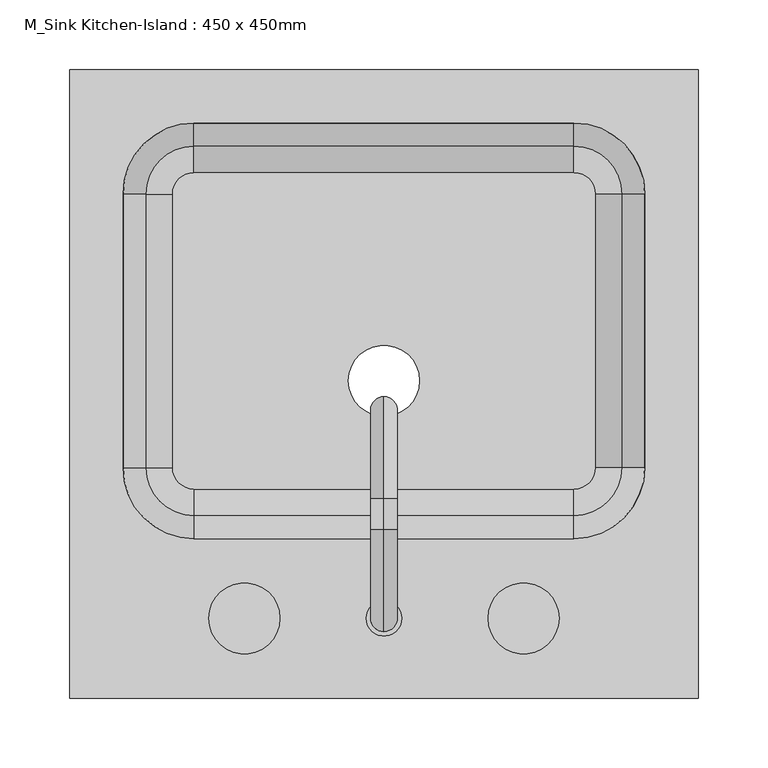
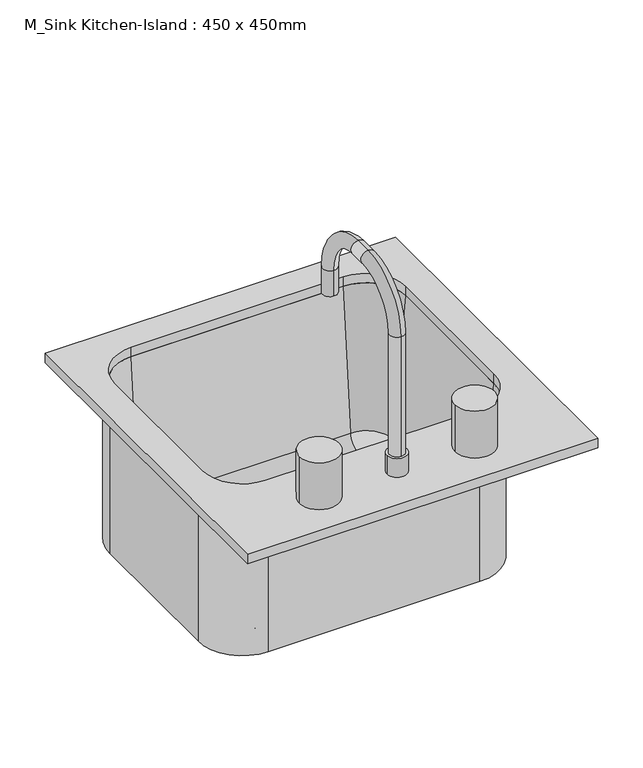
"""IFC4 building model written with IfcOpenShell, lengths in millimetres: flow terminal geometry, M_Sink Kitchen-Island : 450 x 450mm."""

from ifc_helpers import new_model, si_unit, point, frame, frame_2d, origin, place, context, project, spatial, polyline, circle_curve, ellipse_curve, trimmed, segment, composite_curve, outline, extrude, source, transform, mapped, element, save
from ifc_brep_helpers import plane_surface, cylinder_surface, revolved_surface, advanced_brep


def m_sink_kitchen_island_450_x_450mm_f6c2c534(model_context):
    return source(origin(), model_context, "Body", "SolidModel", [
        advanced_brep(
        [(208.9392406, -62.2454011, 684.1), (208.9392406, -62.2454011, 900.0), (151.7892406, -119.3954011, 900.0), (151.7892406, -119.3954011, 684.1), (-120.4107594, -119.3954011, 684.1), (-177.5607594, -62.2454011, 684.1), (-177.5607594, 133.7545989, 684.1), (-120.4107594, 190.9045989, 684.1), (151.7892406, 190.9045989, 684.1), (208.9392406, 133.7545989, 684.1), (-9.7107594, 0.0, 684.1), (41.0892406, 0.0, 684.1), (167.0776588, -62.2454011, 693.625), (167.0776588, 133.7545989, 693.625), (151.7892406, 149.0430171, 693.625), (-120.4107594, 149.0430171, 693.625), (-135.6991776, 133.7545989, 693.625), (-135.6991776, -62.2454011, 693.625), (-120.4107594, -77.5338193, 693.625), (151.7892406, -77.5338193, 693.625), (-9.7107594, 0.0, 693.625), (41.0892406, 0.0, 693.625), (151.7892406, -96.5113283, 711.0146831), (186.0551678, -62.2454011, 711.0146831), (151.7892406, -113.0454011, 900.0), (202.5892406, -62.2454011, 900.0), (208.9392406, 133.7545989, 900.0), (186.0551678, 133.7545989, 711.0146831), (202.5892406, 133.7545989, 900.0), (151.7892406, 190.9045989, 900.0), (151.7892406, 168.0205261, 711.0146831), (151.7892406, 184.5545989, 900.0), (-120.4107594, 190.9045989, 900.0), (-120.4107594, 168.0205261, 711.0146831), (-120.4107594, 184.5545989, 900.0), (-177.5607594, 133.7545989, 900.0), (-154.6766866, 133.7545989, 711.0146831), (-171.2107594, 133.7545989, 900.0), (-177.5607594, -62.2454011, 900.0), (-154.6766866, -62.2454011, 711.0146831), (-171.2107594, -62.2454011, 900.0), (-120.4107594, -119.3954011, 900.0), (-120.4107594, -96.5113283, 711.0146831), (-120.4107594, -113.0454011, 900.0)],
        [
            (0, 1),
            (1, 2, circle_curve(frame((151.7892406, -62.2454011, 900.0), z_axis=(0.0, 0.0, -1.0), x_axis=(0.0, -1.0, 0.0)), 57.15)),
            (2, 3),
            (3, 0, circle_curve(frame((151.7892406, -62.2454011, 684.1), z_axis=(0.0, 0.0, 1.0), x_axis=(0.0, -1.0, 0.0)), 57.15)),
            (3, 4),
            (4, 5, circle_curve(frame((-120.4107594, -62.2454011, 684.1), z_axis=(0.0, 0.0, -1.0), x_axis=(-1.0, 0.0, 0.0)), 57.15)),
            (5, 6),
            (6, 7, circle_curve(frame((-120.4107594, 133.7545989, 684.1), z_axis=(0.0, 0.0, -1.0), x_axis=(0.0, 1.0, 0.0)), 57.15)),
            (7, 8),
            (8, 9, circle_curve(frame((151.7892406, 133.7545989, 684.1), z_axis=(0.0, 0.0, -1.0), x_axis=(1.0, 0.0, 0.0)), 57.15)),
            (9, 0),
            (10, 11, circle_curve(frame((15.6892406, 0.0, 684.1), z_axis=(0.0, 0.0, 1.0), x_axis=(1.0, 0.0, 0.0)), 25.4)),
            (11, 10, circle_curve(frame((15.6892406, 0.0, 684.1), z_axis=(0.0, 0.0, 1.0), x_axis=(1.0, 0.0, 0.0)), 25.4)),
            (12, 13),
            (13, 14, circle_curve(frame((151.7892406, 133.7545989, 693.625), z_axis=(0.0, 0.0, 1.0), x_axis=(1.0, 0.0, 0.0)), 15.2884182)),
            (14, 15),
            (15, 16, circle_curve(frame((-120.4107594, 133.7545989, 693.625), z_axis=(0.0, 0.0, 1.0), x_axis=(0.0, 1.0, 0.0)), 15.2884182)),
            (16, 17),
            (17, 18, circle_curve(frame((-120.4107594, -62.2454011, 693.625), z_axis=(0.0, 0.0, 1.0), x_axis=(-1.0, 0.0, 0.0)), 15.2884182)),
            (18, 19),
            (19, 12, circle_curve(frame((151.7892406, -62.2454011, 693.625), z_axis=(0.0, 0.0, 1.0), x_axis=(0.0, -1.0, 0.0)), 15.2884182)),
            (20, 21, circle_curve(frame((15.6892406, 0.0, 693.625), z_axis=(0.0, 0.0, -1.0), x_axis=(1.0, 0.0, 0.0)), 25.4)),
            (21, 20, circle_curve(frame((15.6892406, 0.0, 693.625), z_axis=(0.0, 0.0, -1.0), x_axis=(1.0, 0.0, 0.0)), 25.4)),
            (19, 22, circle_curve(frame((151.7892406, -77.5338193, 712.675), z_axis=(-1.0, 0.0, 0.0), x_axis=(0.0, -1.0, 0.0)), 19.05)),
            (22, 23, circle_curve(frame((151.7892406, -62.2454011, 711.0146831), z_axis=(0.0, 0.0, 1.0), x_axis=(0.0, -1.0, 0.0)), 34.2659272)),
            (23, 12, circle_curve(frame((167.0776588, -62.2454011, 712.675), z_axis=(0.0, 1.0, 0.0), x_axis=(1.0, 0.0, 0.0)), 19.05)),
            (22, 24),
            (24, 25, circle_curve(frame((151.7892406, -62.2454011, 900.0), z_axis=(0.0, 0.0, 1.0), x_axis=(0.0, -1.0, 0.0)), 50.8)),
            (25, 23),
            (1, 25),
            (24, 2),
            (9, 26),
            (26, 1),
            (23, 27),
            (27, 13, circle_curve(frame((167.0776588, 133.7545989, 712.675), z_axis=(0.0, 1.0, 0.0), x_axis=(1.0, 0.0, 0.0)), 19.05)),
            (25, 28),
            (28, 27),
            (26, 28),
            (8, 29),
            (29, 26, circle_curve(frame((151.7892406, 133.7545989, 900.0), z_axis=(0.0, 0.0, -1.0), x_axis=(1.0, 0.0, 0.0)), 57.15)),
            (27, 30, circle_curve(frame((151.7892406, 133.7545989, 711.0146831), z_axis=(0.0, 0.0, 1.0), x_axis=(1.0, 0.0, 0.0)), 34.2659272)),
            (30, 14, circle_curve(frame((151.7892406, 149.0430171, 712.675), z_axis=(-1.0, 0.0, 0.0), x_axis=(0.0, 1.0, 0.0)), 19.05)),
            (28, 31, circle_curve(frame((151.7892406, 133.7545989, 900.0), z_axis=(0.0, 0.0, 1.0), x_axis=(1.0, 0.0, 0.0)), 50.8)),
            (31, 30),
            (29, 31),
            (7, 32),
            (32, 29),
            (30, 33),
            (33, 15, circle_curve(frame((-120.4107594, 149.0430171, 712.675), z_axis=(-1.0, 0.0, 0.0), x_axis=(0.0, 1.0, 0.0)), 19.05)),
            (31, 34),
            (34, 33),
            (32, 34),
            (6, 35),
            (35, 32, circle_curve(frame((-120.4107594, 133.7545989, 900.0), z_axis=(0.0, 0.0, -1.0), x_axis=(0.0, 1.0, 0.0)), 57.15)),
            (33, 36, circle_curve(frame((-120.4107594, 133.7545989, 711.0146831), z_axis=(0.0, 0.0, 1.0), x_axis=(0.0, 1.0, 0.0)), 34.2659272)),
            (36, 16, circle_curve(frame((-135.6991776, 133.7545989, 712.675), z_axis=(0.0, -1.0, 0.0), x_axis=(-1.0, 0.0, 0.0)), 19.05)),
            (34, 37, circle_curve(frame((-120.4107594, 133.7545989, 900.0), z_axis=(0.0, 0.0, 1.0), x_axis=(0.0, 1.0, 0.0)), 50.8)),
            (37, 36),
            (35, 37),
            (5, 38),
            (38, 35),
            (36, 39),
            (39, 17, circle_curve(frame((-135.6991776, -62.2454011, 712.675), z_axis=(0.0, -1.0, 0.0), x_axis=(-1.0, 0.0, 0.0)), 19.05)),
            (37, 40),
            (40, 39),
            (38, 40),
            (4, 41),
            (41, 38, circle_curve(frame((-120.4107594, -62.2454011, 900.0), z_axis=(0.0, 0.0, -1.0), x_axis=(-1.0, 0.0, 0.0)), 57.15)),
            (39, 42, circle_curve(frame((-120.4107594, -62.2454011, 711.0146831), z_axis=(0.0, 0.0, 1.0), x_axis=(-1.0, 0.0, 0.0)), 34.2659272)),
            (42, 18, circle_curve(frame((-120.4107594, -77.5338193, 712.675), z_axis=(1.0, 0.0, 0.0), x_axis=(0.0, -1.0, 0.0)), 19.05)),
            (40, 43, circle_curve(frame((-120.4107594, -62.2454011, 900.0), z_axis=(0.0, 0.0, 1.0), x_axis=(-1.0, 0.0, 0.0)), 50.8)),
            (43, 42),
            (41, 43),
            (2, 41),
            (42, 22),
            (43, 24),
            (21, 11),
            (10, 20),
        ],
        [
            cylinder_surface(frame((151.7892406, -62.2454011, 0.0), z_axis=(0.0, 0.0, -1.0), x_axis=(0.0, -1.0, 0.0)), 57.15),
            plane_surface(frame((151.7892406, -62.2454011, 684.1), z_axis=(0.0, 0.0, -1.0), x_axis=(0.0, -1.0, 0.0))),
            plane_surface(frame((151.7892406, -62.2454011, 693.625), z_axis=(0.0, 0.0, 1.0), x_axis=(0.0, -1.0, 0.0))),
            revolved_surface(trimmed(ellipse_curve(frame((151.7892406, -77.5338193, 712.675), z_axis=(-1.0, 0.0, 0.0), x_axis=(0.0, -1.0, 0.0)), 19.05, 19.05), [point((151.7892406, -77.5338193, 693.625))], [point((151.7892406, -96.5113283, 711.0146831))], True, "CARTESIAN"), (151.7892406, -62.2454011, 0.0), (0.0, 0.0, -1.0)),
            revolved_surface(polyline([(151.7892406, -96.5113283, 711.0146831), (151.7892406, -113.0454011, 900.0)]), (151.7892406, -62.2454011, 0.0), (0.0, 0.0, -1.0)),
            plane_surface(frame((151.7892406, -62.2454011, 900.0), z_axis=(0.0, 0.0, 1.0), x_axis=(0.0, -1.0, 0.0))),
            plane_surface(frame((208.9392406, -62.2454011, 900.0), z_axis=(1.0, 0.0, 0.0), x_axis=(0.0, 1.0, 0.0))),
            revolved_surface(polyline([(186.1276588, 133.7545989, 712.675), (186.1276588, -62.2454011, 712.675)]), (167.0776588, -62.2454011, 712.675), (0.0, 1.0, 0.0)),
            plane_surface(frame((186.0551678, -62.2454011, 711.0146831), z_axis=(-0.9961946980917444, 0.0, 0.0871557427476718), x_axis=(0.0, 1.0, 0.0))),
            plane_surface(frame((202.5892406, -62.2454011, 900.0), z_axis=(0.0, 0.0, 1.0), x_axis=(0.0, 1.0, 0.0))),
            cylinder_surface(frame((151.7892406, 133.7545989, 0.0), z_axis=(0.0, 0.0, -1.0), x_axis=(1.0, 0.0, 0.0)), 57.15),
            revolved_surface(trimmed(ellipse_curve(frame((167.0776588, 133.7545989, 712.675), z_axis=(0.0, -1.0, 0.0), x_axis=(1.0, 0.0, 0.0)), 19.05, 19.05), [point((167.0776588, 133.7545989, 693.625))], [point((186.0551678, 133.7545989, 711.0146831))], True, "CARTESIAN"), (151.7892406, 133.7545989, 0.0), (0.0, 0.0, -1.0)),
            revolved_surface(polyline([(186.0551678, 133.7545989, 711.0146831), (202.5892406, 133.7545989, 900.0)]), (151.7892406, 133.7545989, 0.0), (0.0, 0.0, -1.0)),
            plane_surface(frame((151.7892406, 133.7545989, 900.0), z_axis=(0.0, 0.0, 1.0), x_axis=(1.0, 0.0, 0.0))),
            plane_surface(frame((151.7892406, 190.9045989, 900.0), z_axis=(0.0, 1.0, 0.0), x_axis=(-1.0, 0.0, 0.0))),
            revolved_surface(polyline([(-120.41075939999999, 168.0930171, 712.675), (151.7892406, 168.0930171, 712.675)]), (151.7892406, 149.0430171, 712.675), (-1.0, 0.0, 0.0)),
            plane_surface(frame((151.7892406, 168.0205261, 711.0146831), z_axis=(0.0, -0.9961946980917444, 0.0871557427476718), x_axis=(-1.0, 0.0, 0.0))),
            plane_surface(frame((151.7892406, 184.5545989, 900.0), z_axis=(0.0, 0.0, 1.0), x_axis=(-1.0, 0.0, 0.0))),
            cylinder_surface(frame((-120.4107594, 133.7545989, 0.0), z_axis=(0.0, 0.0, -1.0), x_axis=(0.0, 1.0, 0.0)), 57.15),
            revolved_surface(trimmed(ellipse_curve(frame((-120.4107594, 149.0430171, 712.675), z_axis=(1.0, 0.0, 0.0), x_axis=(0.0, 1.0, 0.0)), 19.05, 19.05), [point((-120.4107594, 149.0430171, 693.625))], [point((-120.4107594, 168.0205261, 711.0146831))], True, "CARTESIAN"), (-120.4107594, 133.7545989, 0.0), (0.0, 0.0, -1.0)),
            revolved_surface(polyline([(-120.4107594, 168.0205261, 711.0146831), (-120.4107594, 184.5545989, 900.0)]), (-120.4107594, 133.7545989, 0.0), (0.0, 0.0, -1.0)),
            plane_surface(frame((-120.4107594, 133.7545989, 900.0), z_axis=(0.0, 0.0, 1.0), x_axis=(0.0, 1.0, 0.0))),
            plane_surface(frame((-177.5607594, 133.7545989, 900.0), z_axis=(-1.0, 0.0, 0.0), x_axis=(0.0, -1.0, 0.0))),
            revolved_surface(polyline([(-154.74917760000002, -62.24540110000001, 712.675), (-154.74917760000002, 133.7545989, 712.675)]), (-135.6991776, 133.7545989, 712.675), (0.0, -1.0, 0.0)),
            plane_surface(frame((-154.6766866, 133.7545989, 711.0146831), z_axis=(0.9961946980917444, 0.0, 0.0871557427476718), x_axis=(0.0, -1.0, 0.0))),
            plane_surface(frame((-171.2107594, 133.7545989, 900.0), z_axis=(0.0, 0.0, 1.0), x_axis=(0.0, -1.0, 0.0))),
            cylinder_surface(frame((-120.4107594, -62.2454011, 0.0), z_axis=(0.0, 0.0, -1.0), x_axis=(-1.0, 0.0, 0.0)), 57.15),
            revolved_surface(trimmed(ellipse_curve(frame((-135.6991776, -62.2454011, 712.675), z_axis=(0.0, 1.0, 0.0), x_axis=(-1.0, 0.0, 0.0)), 19.05, 19.05), [point((-135.6991776, -62.2454011, 693.625))], [point((-154.6766866, -62.2454011, 711.0146831))], True, "CARTESIAN"), (-120.4107594, -62.2454011, 0.0), (0.0, 0.0, -1.0)),
            revolved_surface(polyline([(-154.6766866, -62.2454011, 711.0146831), (-171.2107594, -62.2454011, 900.0)]), (-120.4107594, -62.2454011, 0.0), (0.0, 0.0, -1.0)),
            plane_surface(frame((-120.4107594, -62.2454011, 900.0), z_axis=(0.0, 0.0, 1.0), x_axis=(-1.0, 0.0, 0.0))),
            plane_surface(frame((-120.4107594, -119.3954011, 900.0), z_axis=(0.0, -1.0, 0.0), x_axis=(1.0, 0.0, 0.0))),
            revolved_surface(polyline([(151.78924059999997, -96.5838193, 712.675), (-120.4107594, -96.5838193, 712.675)]), (-120.4107594, -77.5338193, 712.675), (1.0, 0.0, 0.0)),
            plane_surface(frame((-120.4107594, -96.5113283, 711.0146831), z_axis=(0.0, 0.9961946980917444, 0.0871557427476718), x_axis=(1.0, 0.0, 0.0))),
            plane_surface(frame((-120.4107594, -113.0454011, 900.0), z_axis=(0.0, 0.0, 1.0), x_axis=(1.0, 0.0, 0.0))),
            revolved_surface(polyline([(41.0892406, 0.0, 684.1), (41.0892406, 0.0, 693.625)]), (15.6892406, 0.0, 0.0), (0.0, 0.0, -1.0)),
        ],
        [
            (0, [[1, 2, 3, 4]]),
            (1, [[5, 6, 7, 8, 9, 10, 11, -4], [12, 13]]),
            (2, [[14, 15, 16, 17, 18, 19, 20, 21], [22, 23]]),
            (3, [[24, 25, 26, -21]]),
            (4, [[27, 28, 29, -25]]),
            (5, [[30, -28, 31, -2]]),
            (6, [[-11, 32, 33, -1]]),
            (7, [[34, 35, -14, -26]]),
            (8, [[36, 37, -34, -29]]),
            (9, [[-33, 38, -36, -30]]),
            (10, [[-10, 39, 40, -32]]),
            (11, [[41, 42, -15, -35]]),
            (12, [[43, 44, -41, -37]]),
            (13, [[-40, 45, -43, -38]]),
            (14, [[-9, 46, 47, -39]]),
            (15, [[48, 49, -16, -42]]),
            (16, [[50, 51, -48, -44]]),
            (17, [[-47, 52, -50, -45]]),
            (18, [[-8, 53, 54, -46]]),
            (19, [[55, 56, -17, -49]]),
            (20, [[57, 58, -55, -51]]),
            (21, [[-54, 59, -57, -52]]),
            (22, [[-7, 60, 61, -53]]),
            (23, [[62, 63, -18, -56]]),
            (24, [[64, 65, -62, -58]]),
            (25, [[-61, 66, -64, -59]]),
            (26, [[-6, 67, 68, -60]]),
            (27, [[69, 70, -19, -63]]),
            (28, [[71, 72, -69, -65]]),
            (29, [[-68, 73, -71, -66]]),
            (30, [[74, -67, -5, -3]]),
            (31, [[-20, -70, 75, -24]]),
            (32, [[-75, -72, 76, -27]]),
            (33, [[-76, -73, -74, -31]]),
            (34, [[77, -12, 78, -23]]),
            (34, [[-78, -13, -77, -22]]),
        ],
    ),
        advanced_brep(
        [(2.9892406, -170.1954011, 912.7), (28.3892406, -170.1954011, 912.7), (15.6892406, -179.7204011, 1100.025), (15.6892406, -179.7204011, 938.1), (15.6892406, -160.6704011, 938.1), (15.6892406, -160.6704011, 1100.025), (15.6892406, -106.6954011, 1154.0), (15.6892406, -106.6954011, 1173.05), (15.6892406, -84.4704011, 1154.0), (15.6892406, -84.4704011, 1173.05), (15.6892406, -30.4954011, 1100.025), (15.6892406, -11.4454011, 1100.025), (15.6892406, -11.4454011, 1065.1), (15.6892406, -30.4954011, 1065.1), (2.9892406, -170.1954011, 938.1), (28.3892406, -170.1954011, 938.1)],
        [
            (0, 1, circle_curve(frame((15.6892406, -170.1954011, 912.7), z_axis=(0.0, 0.0, -1.0), x_axis=(1.0, 0.0, 0.0)), 12.7)),
            (1, 0, circle_curve(frame((15.6892406, -170.1954011, 912.7), z_axis=(0.0, 0.0, -1.0), x_axis=(1.0, 0.0, 0.0)), 12.7)),
            (2, 3),
            (3, 4, circle_curve(frame((15.6892406, -170.1954011, 938.1), z_axis=(0.0, 0.0, 1.0), x_axis=(0.0, 1.0, 0.0)), 9.525)),
            (4, 5),
            (5, 2, circle_curve(frame((15.6892406, -170.1954011, 1100.025), z_axis=(0.0, 0.0, -1.0), x_axis=(0.0, 1.0, 0.0)), 9.525)),
            (4, 3, circle_curve(frame((15.6892406, -170.1954011, 938.1), z_axis=(0.0, 0.0, 1.0), x_axis=(0.0, 1.0, 0.0)), 9.525)),
            (2, 5, circle_curve(frame((15.6892406, -170.1954011, 1100.025), z_axis=(0.0, 0.0, -1.0), x_axis=(0.0, 1.0, 0.0)), 9.525)),
            (5, 6, circle_curve(frame((15.6892406, -106.6954011, 1100.025), z_axis=(-1.0, 0.0, 0.0), x_axis=(0.0, -1.0, 0.0)), 53.975)),
            (6, 7, circle_curve(frame((15.6892406, -106.6954011, 1163.525), z_axis=(0.0, -1.0, 0.0), x_axis=(0.0, 0.0, -1.0)), 9.525)),
            (7, 2, circle_curve(frame((15.6892406, -106.6954011, 1100.025), z_axis=(1.0, 0.0, 0.0), x_axis=(0.0, -1.0, 0.0)), 73.025)),
            (7, 6, circle_curve(frame((15.6892406, -106.6954011, 1163.525), z_axis=(0.0, -1.0, 0.0), x_axis=(0.0, 0.0, -1.0)), 9.525)),
            (6, 8),
            (8, 9, circle_curve(frame((15.6892406, -84.4704011, 1163.525), z_axis=(0.0, -1.0, 0.0), x_axis=(0.0, 0.0, -1.0)), 9.525)),
            (9, 7),
            (9, 8, circle_curve(frame((15.6892406, -84.4704011, 1163.525), z_axis=(0.0, -1.0, 0.0), x_axis=(0.0, 0.0, -1.0)), 9.525)),
            (8, 10, circle_curve(frame((15.6892406, -84.4704011, 1100.025), z_axis=(-1.0, 0.0, 0.0), x_axis=(0.0, 0.0, 1.0)), 53.975)),
            (10, 11, circle_curve(frame((15.6892406, -20.9704011, 1100.025), z_axis=(0.0, 0.0, 1.0), x_axis=(0.0, -1.0, 0.0)), 9.525)),
            (11, 9, circle_curve(frame((15.6892406, -84.4704011, 1100.025), z_axis=(1.0, 0.0, 0.0), x_axis=(0.0, 0.0, 1.0)), 73.025)),
            (11, 10, circle_curve(frame((15.6892406, -20.9704011, 1100.025), z_axis=(0.0, 0.0, 1.0), x_axis=(0.0, -1.0, 0.0)), 9.525)),
            (12, 13, circle_curve(frame((15.6892406, -20.9704011, 1065.1), z_axis=(0.0, 0.0, -1.0), x_axis=(0.0, -1.0, 0.0)), 9.525)),
            (13, 12, circle_curve(frame((15.6892406, -20.9704011, 1065.1), z_axis=(0.0, 0.0, -1.0), x_axis=(0.0, -1.0, 0.0)), 9.525)),
            (10, 13),
            (12, 11),
            (14, 15, circle_curve(frame((15.6892406, -170.1954011, 938.1), z_axis=(0.0, 0.0, 1.0), x_axis=(1.0, 0.0, 0.0)), 12.7)),
            (15, 14, circle_curve(frame((15.6892406, -170.1954011, 938.1), z_axis=(0.0, 0.0, 1.0), x_axis=(1.0, 0.0, 0.0)), 12.7)),
            (15, 1),
            (0, 14),
        ],
        [
            plane_surface(frame((15.6892406, -160.6704011, 912.7), z_axis=(0.0, 0.0, -1.0), x_axis=(1.0, 0.0, 0.0))),
            cylinder_surface(frame((15.6892406, -170.1954011, 912.7), z_axis=(0.0, 0.0, -1.0), x_axis=(0.0, 1.0, 0.0)), 9.525),
            revolved_surface(trimmed(ellipse_curve(frame((15.6892406, -170.1954011, 1100.025), z_axis=(0.0, 0.0, 1.0), x_axis=(0.0, 1.0, 0.0)), 9.525, 9.525), [point((15.6892406, -179.7204011, 1100.025))], [point((15.6892406, -160.6704011, 1100.025))], True, "CARTESIAN"), (15.6892406, -106.6954011, 1100.025), (1.0, 0.0, 0.0)),
            revolved_surface(trimmed(ellipse_curve(frame((15.6892406, -170.1954011, 1100.025), z_axis=(0.0, 0.0, 1.0), x_axis=(0.0, 1.0, 0.0)), 9.525, 9.525), [point((15.6892406, -160.6704011, 1100.025))], [point((15.6892406, -179.7204011, 1100.025))], True, "CARTESIAN"), (15.6892406, -106.6954011, 1100.025), (1.0, 0.0, 0.0)),
            cylinder_surface(frame((15.6892406, -106.6954011, 1163.525), z_axis=(0.0, -1.0, 0.0), x_axis=(0.0, 0.0, -1.0)), 9.525),
            revolved_surface(trimmed(ellipse_curve(frame((15.6892406, -84.4704011, 1163.525), z_axis=(0.0, 1.0, 0.0), x_axis=(0.0, 0.0, -1.0)), 9.525, 9.525), [point((15.6892406, -84.4704011, 1173.05))], [point((15.6892406, -84.4704011, 1154.0))], True, "CARTESIAN"), (15.6892406, -84.4704011, 1100.025), (1.0, 0.0, 0.0)),
            revolved_surface(trimmed(ellipse_curve(frame((15.6892406, -84.4704011, 1163.525), z_axis=(0.0, 1.0, 0.0), x_axis=(0.0, 0.0, -1.0)), 9.525, 9.525), [point((15.6892406, -84.4704011, 1154.0))], [point((15.6892406, -84.4704011, 1173.05))], True, "CARTESIAN"), (15.6892406, -84.4704011, 1100.025), (1.0, 0.0, 0.0)),
            plane_surface(frame((15.6892406, -11.4454011, 1065.1), z_axis=(0.0, 0.0, -1.0), x_axis=(-1.0, 0.0, 0.0))),
            cylinder_surface(frame((15.6892406, -20.9704011, 1100.025), z_axis=(0.0, 0.0, 1.0), x_axis=(0.0, -1.0, 0.0)), 9.525),
            plane_surface(frame((28.3892406, -170.1954011, 938.1), z_axis=(0.0, 0.0, 1.0), x_axis=(0.0, -1.0, 0.0))),
            cylinder_surface(frame((15.6892406, -170.1954011, 912.7), z_axis=(0.0, 0.0, 1.0), x_axis=(1.0, 0.0, 0.0)), 12.7),
        ],
        [
            (0, [[1, 2]]),
            (1, [[3, 4, 5, 6]]),
            (1, [[-5, 7, -3, 8]]),
            (2, [[9, 10, 11, -6]]),
            (3, [[-11, 12, -9, -8]]),
            (4, [[13, 14, 15, -10]]),
            (4, [[-15, 16, -13, -12]]),
            (5, [[17, 18, 19, -14]]),
            (6, [[-19, 20, -17, -16]]),
            (7, [[21, 22]]),
            (8, [[23, -21, 24, -18]]),
            (8, [[-24, -22, -23, -20]]),
            (9, [[25, 26], [-7, -4]]),
            (10, [[27, -1, 28, -26]]),
            (10, [[-28, -2, -27, -25]]),
        ],
    ),
        extrude(outline(composite_curve([segment(trimmed(circle_curve(frame_2d((-84.3107594, -170.1954011)), 25.4), [point((-109.7107594, -170.1954011))], [point((-58.9107594, -170.1954011))], False, "CARTESIAN"), True, "CONTINUOUS"), segment(trimmed(circle_curve(frame_2d((-84.3107594, -170.1954011)), 25.4), [point((-58.9107594, -170.1954011))], [point((-109.7107594, -170.1954011))], False, "CARTESIAN"), True, "CONTINUOUS")], self_intersect=False)), frame((0.0, 0.0, 912.7), z_axis=(0.0, 0.0, 1.0), x_axis=(1.0, 0.0, 0.0)), (0.0, 0.0, 1.0), 63.5),
        extrude(outline(composite_curve([segment(trimmed(circle_curve(frame_2d((115.6892406, -170.1954011)), 25.4), [point((90.2892406, -170.1954011))], [point((141.0892406, -170.1954011))], False, "CARTESIAN"), True, "CONTINUOUS"), segment(trimmed(circle_curve(frame_2d((115.6892406, -170.1954011)), 25.4), [point((141.0892406, -170.1954011))], [point((90.2892406, -170.1954011))], False, "CARTESIAN"), True, "CONTINUOUS")], self_intersect=False)), frame((0.0, 0.0, 912.7), z_axis=(0.0, 0.0, 1.0), x_axis=(1.0, 0.0, 0.0)), (0.0, 0.0, 1.0), 63.5),
        extrude(outline(polyline([(240.6892406, -227.3454011), (-209.3107594, -227.3454011), (-209.3107594, 222.6545989), (240.6892406, 222.6545989), (240.6892406, -227.3454011)]), holes=[composite_curve([segment(trimmed(circle_curve(frame_2d((151.7892406, -62.2454011)), 50.8), [point((151.7892406, -113.0454011))], [point((202.5892406, -62.2454011))], True, "CARTESIAN"), True, "CONTINUOUS"), segment(polyline([(202.5892406, -62.2454011), (202.5892406, 133.7545989)]), True, "CONTINUOUS"), segment(trimmed(circle_curve(frame_2d((151.7892406, 133.7545989)), 50.8), [point((202.5892406, 133.7545989))], [point((151.7892406, 184.5545989))], True, "CARTESIAN"), True, "CONTINUOUS"), segment(polyline([(151.7892406, 184.5545989), (-120.4107594, 184.5545989)]), True, "CONTINUOUS"), segment(trimmed(circle_curve(frame_2d((-120.4107594, 133.7545989)), 50.8), [point((-120.4107594, 184.5545989))], [point((-171.2107594, 133.7545989))], True, "CARTESIAN"), True, "CONTINUOUS"), segment(polyline([(-171.2107594, 133.7545989), (-171.2107594, -62.2454011)]), True, "CONTINUOUS"), segment(trimmed(circle_curve(frame_2d((-120.4107594, -62.2454011)), 50.8), [point((-171.2107594, -62.2454011))], [point((-120.4107594, -113.0454011))], True, "CARTESIAN"), True, "CONTINUOUS"), segment(polyline([(-120.4107594, -113.0454011), (151.7892406, -113.0454011)]), True, "CONTINUOUS")], self_intersect=False)]), frame((0.0, 0.0, 900.0), z_axis=(0.0, 0.0, 1.0), x_axis=(1.0, 0.0, 0.0)), (0.0, 0.0, 1.0), 12.7),
    ])


if __name__ == "__main__":
    model = new_model("IFC4")
    model_context = context("Model", 3, world=origin())
    ifc_project = project(units=[si_unit("LENGTHUNIT", "METRE", prefix="MILLI")], contexts=[model_context])
    site = spatial("IfcSite", under=ifc_project)
    building = spatial("IfcBuilding", under=site)
    placement = place(None, origin())
    m_sink_kitchen_island_450_x_450mm_shape = m_sink_kitchen_island_450_x_450mm_f6c2c534(model_context)
    element("IfcFlowTerminal", 1, ObjectType="M_Sink Kitchen-Island : 450 x 450mm", at=placement, inside=building, context=model_context, shape_type="MappedRepresentation", body=[
        mapped(m_sink_kitchen_island_450_x_450mm_shape, transform((0.0, 0.0, 0.0), x_axis=(1.0, 0.0, 0.0), y_axis=(0.0, 1.0, 0.0), z_axis=(0.0, 0.0, 1.0))),
    ])
    save(model, "model.ifc")
